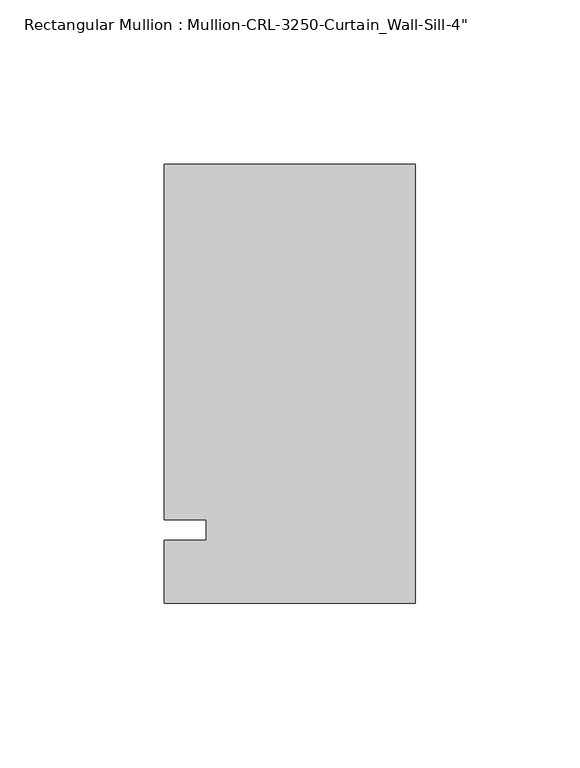
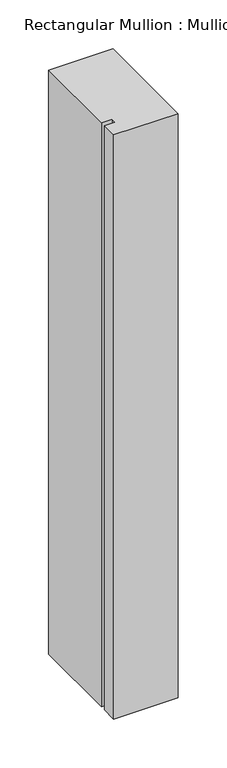
"""IFC4 building model written with IfcOpenShell, lengths in millimetres: member geometry."""

from ifc_helpers import new_model, si_unit, frame, origin, place, context, project, spatial, polyline, outline, extrude, source, transform, mapped, element, save


def member_ba707519(model_context):
    return source(origin(), model_context, "Body", "SweptSolid", [
        extrude(outline(polyline([(-76.199997, -3.175), (-63.499997, -3.175), (-63.499997, 3.175), (-76.199997, 3.175), (-76.199997, 111.1245832), (0.0, 111.1245832), (0.0, -22.2254168), (-76.199997, -22.2254168), (-76.199997, -3.175)])), frame((0.0, 0.0, -730.0666715), z_axis=(0.0, 0.0, 1.0), x_axis=(1.0, 0.0, 0.0)), (0.0, 0.0, 1.0), 730.0666715),
    ])


if __name__ == "__main__":
    model = new_model("IFC4")
    model_context = context("Model", 3, world=origin())
    ifc_project = project(units=[si_unit("LENGTHUNIT", "METRE", prefix="MILLI")], contexts=[model_context])
    site = spatial("IfcSite", under=ifc_project)
    building = spatial("IfcBuilding", under=site)
    placement = place(None, origin())
    member_shape = member_ba707519(model_context)
    element("IfcMember", 1, ObjectType="Rectangular Mullion : Mullion-CRL-3250-Curtain_Wall-Sill-4\"", at=placement, inside=building, context=model_context, shape_type="MappedRepresentation", body=[
        mapped(member_shape, transform((0.0, 0.0, 0.0), x_axis=(1.0, 0.0, 0.0), y_axis=(0.0, 1.0, 0.0), z_axis=(0.0, 0.0, 1.0))),
    ])
    save(model, "model.ifc")
